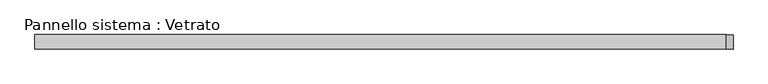
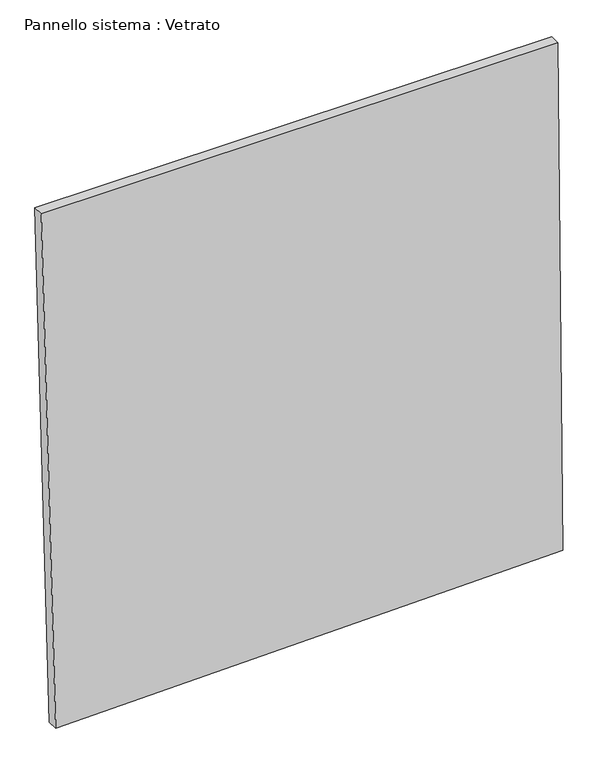
"""IFC4 building model written with IfcOpenShell, lengths in millimetres: plate geometry, Pannello sistema : Vetrato."""

from ifc_helpers import new_model, si_unit, frame, origin, place, context, project, spatial, polyline, outline, extrude, source, transform, mapped, element, save


def pannello_sistema_vetrato_c8e2df1b(model_context):
    return source(origin(), model_context, "Body", "SweptSolid", [
        extrude(outline(polyline([(0.0, -681.937811), (29.8459849, 721.8634346), (1519.141707, 708.2055335), (1518.9620877, -721.8634346), (0.0, -681.937811)])), frame((0.0, -15.0, 0.0), z_axis=(0.0, 1.0, 0.0), x_axis=(0.0, 0.0, 1.0)), (0.0, 0.0, 1.0), 30.0),
    ])


if __name__ == "__main__":
    model = new_model("IFC4")
    model_context = context("Model", 3, world=origin())
    ifc_project = project(units=[si_unit("LENGTHUNIT", "METRE", prefix="MILLI")], contexts=[model_context])
    site = spatial("IfcSite", under=ifc_project)
    building = spatial("IfcBuilding", under=site)
    placement = place(None, origin())
    pannello_sistema_vetrato_shape = pannello_sistema_vetrato_c8e2df1b(model_context)
    element("IfcPlate", 1, ObjectType="Pannello sistema : Vetrato", at=placement, inside=building, context=model_context, shape_type="MappedRepresentation", body=[
        mapped(pannello_sistema_vetrato_shape, transform((0.0, 0.0, 0.0), x_axis=(1.0, 0.0, 0.0), y_axis=(0.0, 1.0, 0.0), z_axis=(0.0, 0.0, 1.0))),
    ])
    save(model, "model.ifc")
